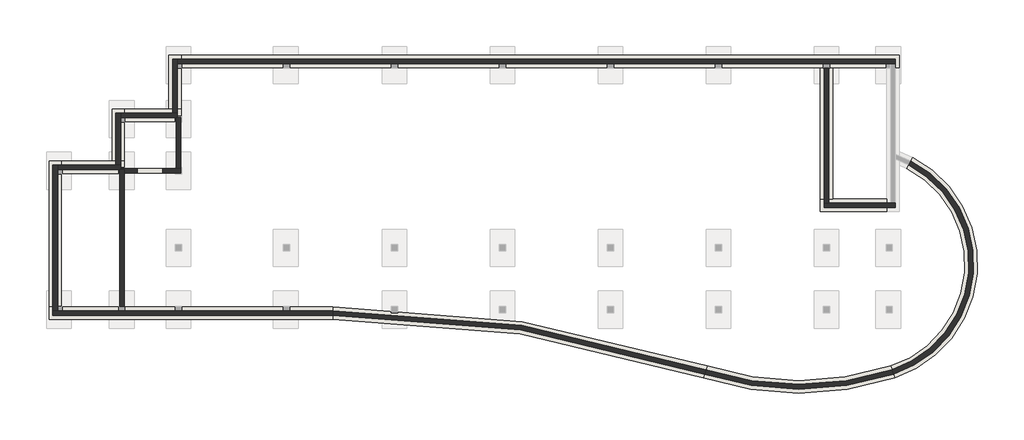
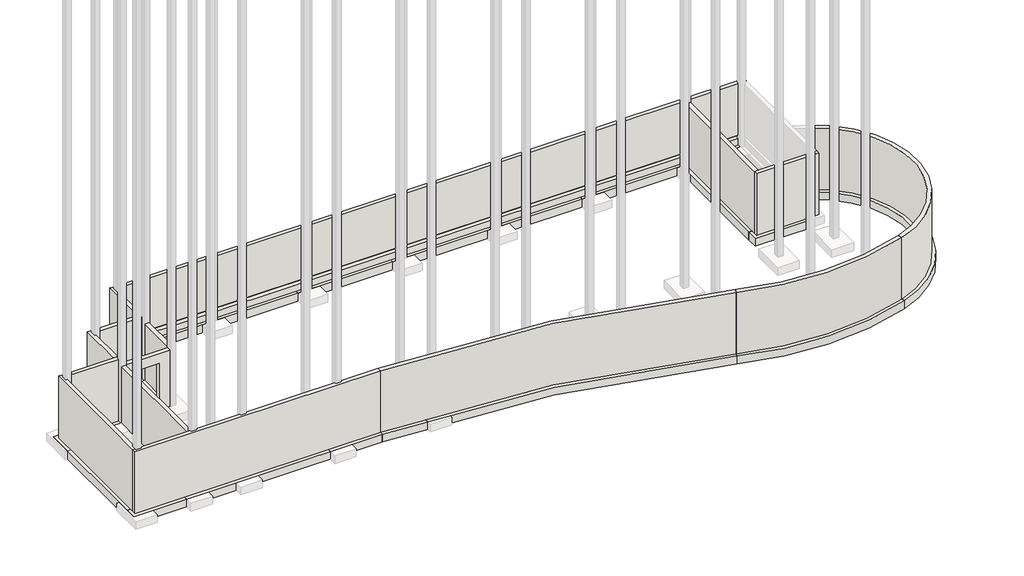
# One storey, part 1 of 2: 27 walls.
"""IFC4 building model written with IfcOpenShell, lengths in millimetres."""

from ifc_helpers import new_model, si_unit, point, frame, frame_2d, origin, place, context, project, spatial, polyline, circle_curve, trimmed, segment, composite_curve, outline, extrude, faceted_brep, element, save
from ifc_brep_helpers import plane_surface, cylinder_surface, revolved_surface, advanced_brep

model = new_model("IFC4")

# Units and contexts
model_context = context("Model", 3, world=origin())
ifc_project = project(units=[si_unit("LENGTHUNIT", "METRE", prefix="MILLI")], contexts=[model_context])

# Site, building, storey
site = spatial("IfcSite", under=ifc_project)
building = spatial("IfcBuilding", under=site)
storey = spatial("IfcBuildingStorey", under=building, Elevation=-3600.0)

# Walls
placement = place(None, origin())
element("IfcWall", 1, ObjectType="Foundation - 600mm Concrete", at=placement, inside=storey, context=model_context, shape_type="SweptSolid", body=[
    extrude(outline(composite_curve([segment(polyline([(17869.7687161, -6013.1846096), (17683.7577718, -5442.7458938)]), True, "CONTINUOUS"), segment(trimmed(circle_curve(frame_2d((16074.0395802, -487.5293406)), 5210.1212794), [point((17683.7577718, -5442.7458938))], [point((18465.7812889, 4141.1783997))], True, "CARTESIAN"), True, "CONTINUOUS"), segment(polyline([(18465.7812889, 4141.1783997), (18741.2153811, 4674.222545)]), True, "CONTINUOUS"), segment(trimmed(circle_curve(frame_2d((16074.0395802, -487.5293406)), 5810.1212794), [point((18741.2153811, 4674.222545))], [point((17869.7687161, -6013.1846096))], False, "CARTESIAN"), True, "CONTINUOUS")], self_intersect=False)), frame((0.0, 0.0, -4050.0), z_axis=(0.0, 0.0, 1.0), x_axis=(1.0, 0.0, 0.0)), (0.0, 0.0, 1.0), 450.0),
])
element("IfcWall", 2, ObjectType="Foundation - 600mm Concrete", at=placement, inside=storey, context=model_context, shape_type="SweptSolid", body=[
    extrude(outline(composite_curve([segment(polyline([(8601.367366, -6013.0871543), (8787.9790274, -5442.8450235)]), True, "CONTINUOUS"), segment(trimmed(circle_curve(frame_2d((13235.7169466, 8148.4146527)), 14300.5144027), [point((8787.9790274, -5442.8450235))], [point((17683.7577718, -5442.7458938))], True, "CARTESIAN"), True, "CONTINUOUS"), segment(polyline([(17683.7577718, -5442.7458938), (17869.7687161, -6013.1846096)]), True, "CONTINUOUS"), segment(trimmed(circle_curve(frame_2d((13235.7169466, 8148.4146527)), 14900.5144027), [point((17869.7687161, -6013.1846096))], [point((8601.367366, -6013.0871543))], False, "CARTESIAN"), True, "CONTINUOUS")], self_intersect=False)), frame((0.0, 0.0, -4050.0), z_axis=(0.0, 0.0, 1.0), x_axis=(1.0, 0.0, 0.0)), (0.0, 0.0, 1.0), 450.0),
])
element("IfcWall", 3, ObjectType="Foundation - 600mm Concrete", at=placement, inside=storey, context=model_context, shape_type="SweptSolid", body=[
    extrude(outline(composite_curve([segment(polyline([(-9356.7482974, -3179.7925922), (-9357.3682514, -2579.7925922)]), True, "CONTINUOUS"), segment(trimmed(circle_curve(frame_2d((-9237.4655397, -60751.8621473)), 58172.193125), [point((-9357.3682514, -2579.7925922))], [point((8787.630476, -5442.7311958))], False, "CARTESIAN"), True, "CONTINUOUS"), segment(polyline([(8787.630476, -5442.7311958), (8601.7159173, -6013.200982)]), True, "CONTINUOUS"), segment(trimmed(circle_curve(frame_2d((-9237.4655397, -60751.8621473)), 57572.193125), [point((8601.7159173, -6013.200982))], [point((-9356.7482974, -3179.7925922))], True, "CARTESIAN"), True, "CONTINUOUS")], self_intersect=False)), frame((0.0, 0.0, -4050.0), z_axis=(0.0, 0.0, 1.0), x_axis=(1.0, 0.0, 0.0)), (0.0, 0.0, 1.0), 450.0),
])
element("IfcWall", 4, ObjectType="Foundation - 600mm Concrete", at=placement, inside=storey, context=model_context, shape_type="Brep", body=[
    faceted_brep([(-9357.3682514, -2579.7925922, -4050.0), (-22494.6169643, -2579.7925922, -4050.0), (-23094.6169643, -2579.7925922, -4050.0), (-23094.6169643, -2579.7925922, -3600.0), (-22494.6169643, -2579.7925922, -3600.0), (-9357.3682514, -2579.7925922, -3600.0), (-9356.7482974, -3179.7925922, -4050.0), (-9356.7482974, -3179.7925922, -3600.0), (-23094.6169643, -3179.7925922, -3600.0), (-23094.6169643, -3179.7925922, -4050.0)], [[[0, 1, 2, 3, 4, 5]], [[6, 7, 8, 9]], [[2, 1, 0, 6, 9]], [[5, 4, 3, 8, 7]], [[3, 2, 9, 8]], [[0, 5, 7, 6]]]),
])
element("IfcWall", 5, ObjectType="Foundation - 600mm Concrete", at=placement, inside=storey, context=model_context, shape_type="Brep", body=[
    faceted_brep([(-22494.6169643, -2579.7925922, -4050.0), (-22494.6169643, 3903.6324078, -4050.0), (-22494.6169643, 4503.6324078, -4050.0), (-22494.6169643, 4503.6324078, -3600.0), (-22494.6169643, 3903.6324078, -3600.0), (-22494.6169643, -2579.7925922, -3600.0), (-23094.6169643, -2579.7925922, -4050.0), (-23094.6169643, -2579.7925922, -3600.0), (-23094.6169643, 4503.6324078, -3600.0), (-23094.6169643, 4503.6324078, -4050.0)], [[[0, 1, 2, 3, 4, 5]], [[6, 7, 8, 9]], [[2, 1, 0, 6, 9]], [[5, 4, 3, 8, 7]], [[3, 2, 9, 8]], [[0, 5, 7, 6]]]),
])
element("IfcWall", 6, ObjectType="Foundation - 600mm Concrete", at=placement, inside=storey, context=model_context, shape_type="Brep", body=[
    faceted_brep([(-22494.6169643, 3903.6324078, -4050.0), (-19446.6169643, 3903.6324078, -4050.0), (-19446.6169643, 3903.6324078, -3600.0), (-22494.6169643, 3903.6324078, -3600.0), (-22494.6169643, 4503.6324078, -4050.0), (-22494.6169643, 4503.6324078, -3600.0), (-20046.6169643, 4503.6324078, -3600.0), (-19446.6169643, 4503.6324078, -3600.0), (-19446.6169643, 4503.6324078, -4050.0), (-20046.6169643, 4503.6324078, -4050.0)], [[[0, 1, 2, 3]], [[4, 5, 6, 7, 8, 9]], [[1, 0, 4, 9, 8]], [[3, 2, 7, 6, 5]], [[2, 1, 8, 7]], [[0, 3, 5, 4]]]),
])
element("IfcWall", 7, ObjectType="Foundation - 600mm Concrete", at=placement, inside=storey, context=model_context, shape_type="Brep", body=[
    faceted_brep([(-19446.6169643, 4503.6324078, -4050.0), (-19446.6169643, 6418.2324078, -4050.0), (-19446.6169643, 7018.2324078, -4050.0), (-19446.6169643, 7018.2324078, -3600.0), (-19446.6169643, 6418.2324078, -3600.0), (-19446.6169643, 4503.6324078, -3600.0), (-20046.6169643, 4503.6324078, -4050.0), (-20046.6169643, 4503.6324078, -3600.0), (-20046.6169643, 7018.2324078, -3600.0), (-20046.6169643, 7018.2324078, -4050.0)], [[[0, 1, 2, 3, 4, 5]], [[6, 7, 8, 9]], [[2, 1, 0, 6, 9]], [[5, 4, 3, 8, 7]], [[3, 2, 9, 8]], [[0, 5, 7, 6]]]),
])
element("IfcWall", 8, ObjectType="Foundation - 600mm Concrete", at=placement, inside=storey, context=model_context, shape_type="Brep", body=[
    faceted_brep([(-19446.6169643, 6418.2324078, -4050.0), (-16703.4169643, 6418.2324078, -4050.0), (-16703.4169643, 6418.2324078, -3600.0), (-19446.6169643, 6418.2324078, -3600.0), (-19446.6169643, 7018.2324078, -4050.0), (-19446.6169643, 7018.2324078, -3600.0), (-17303.4169643, 7018.2324078, -3600.0), (-16703.4169643, 7018.2324078, -3600.0), (-16703.4169643, 7018.2324078, -4050.0), (-17303.4169643, 7018.2324078, -4050.0)], [[[0, 1, 2, 3]], [[4, 5, 6, 7, 8, 9]], [[1, 0, 4, 9, 8]], [[3, 2, 7, 6, 5]], [[2, 1, 8, 7]], [[0, 3, 5, 4]]]),
])
element("IfcWall", 9, ObjectType="Foundation - 600mm Concrete", at=placement, inside=storey, context=model_context, shape_type="Brep", body=[
    faceted_brep([(-16703.4169643, 7018.2324078, -4050.0), (-16703.4169643, 9034.4324078, -4050.0), (-16703.4169643, 9634.4324078, -4050.0), (-16703.4169643, 9634.4324078, -3600.0), (-16703.4169643, 9034.4324078, -3600.0), (-16703.4169643, 7018.2324078, -3600.0), (-17303.4169643, 7018.2324078, -4050.0), (-17303.4169643, 7018.2324078, -3600.0), (-17303.4169643, 9634.4324078, -3600.0), (-17303.4169643, 9634.4324078, -4050.0)], [[[0, 1, 2, 3, 4, 5]], [[6, 7, 8, 9]], [[2, 1, 0, 6, 9]], [[5, 4, 3, 8, 7]], [[3, 2, 9, 8]], [[0, 5, 7, 6]]]),
])
element("IfcWall", 10, ObjectType="Foundation - 600mm Concrete", at=placement, inside=storey, context=model_context, shape_type="Brep", body=[
    faceted_brep([(-16703.4169643, 9034.4324078, -4050.0), (17489.4606966, 9034.4324078, -4050.0), (18089.4606966, 9034.4324078, -4050.0), (18089.4606966, 9034.4324078, -3600.0), (17489.4606966, 9034.4324078, -3600.0), (-16703.4169643, 9034.4324078, -3600.0), (-16703.4169643, 9634.4324078, -4050.0), (-16703.4169643, 9634.4324078, -3600.0), (18089.4606966, 9634.4324078, -3600.0), (18089.4606966, 9634.4324078, -4050.0)], [[[0, 1, 2, 3, 4, 5]], [[6, 7, 8, 9]], [[2, 1, 0, 6, 9]], [[5, 4, 3, 8, 7]], [[3, 2, 9, 8]], [[0, 5, 7, 6]]]),
])
element("IfcWall", 11, ObjectType="Foundation - 600mm Concrete", at=placement, inside=storey, context=model_context, shape_type="Brep", body=[
    faceted_brep([(17489.4606966, 2662.1324078, -4050.0), (14867.1955357, 2662.1324078, -4050.0), (14267.1955357, 2662.1324078, -4050.0), (14267.1955357, 2662.1324078, -3600.0), (14867.1955357, 2662.1324078, -3600.0), (17489.4606966, 2662.1324078, -3600.0), (17489.4606966, 2062.1324078, -4050.0), (17489.4606966, 2062.1324078, -3600.0), (14267.1955357, 2062.1324078, -3600.0), (14267.1955357, 2062.1324078, -4050.0)], [[[0, 1, 2, 3, 4, 5]], [[6, 7, 8, 9]], [[2, 1, 0, 6, 9]], [[5, 4, 3, 8, 7]], [[3, 2, 9, 8]], [[0, 5, 7, 6]]]),
])
element("IfcWall", 12, ObjectType="Foundation - 600mm Concrete", at=placement, inside=storey, context=model_context, shape_type="SweptSolid", body=[
    extrude(outline(polyline([(14867.1955357, 9008.2199078), (14867.1955357, 2662.1324078), (14267.1955357, 2662.1324078), (14267.1955357, 9008.2199078), (14867.1955357, 9008.2199078)])), frame((0.0, 0.0, -4050.0), z_axis=(0.0, 0.0, 1.0), x_axis=(1.0, 0.0, 0.0)), (0.0, 0.0, 1.0), 450.0),
])
element("IfcWall", 13, ObjectType="Generic - 225mm Masonry", at=placement, inside=storey, context=model_context, shape_type="Brep", body=[
    faceted_brep([(-19457.9044643, -2553.5800922, -3600.0), (-19457.9044643, 3914.9199078, -3600.0), (-19457.9044643, 4091.1324078, -3600.0), (-19457.9044643, 4091.1324078, -300.0), (-19457.9044643, 3914.9199078, -300.0), (-19457.9044643, -2553.5800922, -300.0), (-19457.9044643, -2553.5800922, -2994.0), (-19457.9044643, 156.7351251, -2994.0), (-19457.9044643, 156.7351251, -3000.0), (-19457.9044643, -2553.5800922, -3000.0), (-19682.9044643, 4091.1324078, -3600.0), (-19682.9044643, -2553.5800922, -3600.0), (-19682.9044643, -2553.5800922, -3000.0), (-19682.9044643, 156.7351251, -3000.0), (-19682.9044643, 156.7351251, -2994.0), (-19682.9044643, -2553.5800922, -2994.0), (-19682.9044643, -2553.5800922, -300.0), (-19682.9044643, 4091.1324078, -300.0), (-19634.1169643, 4091.1324078, -3600.0), (-19634.1169643, 4091.1324078, -300.0)], [[[0, 1, 2, 3, 4, 5, 6, 7, 8, 9]], [[10, 11, 12, 13, 14, 15, 16, 17]], [[2, 1, 0, 11, 10, 18]], [[5, 4, 3, 19, 17, 16]], [[5, 16, 15, 6]], [[11, 0, 9, 12]], [[3, 2, 18, 10, 17, 19]], [[8, 13, 12, 9]], [[14, 7, 6, 15]], [[13, 8, 7, 14]]]),
])
element("IfcWall", 14, ObjectType="Generic - 225mm Masonry", at=placement, inside=storey, context=model_context, shape_type="Brep", body=[
    faceted_brep([(-19457.9044643, 3914.9199078, -3600.0), (-16714.7044643, 3914.9199078, -3600.0), (-16714.7044643, 3914.9199078, -300.0), (-19457.9044643, 3914.9199078, -300.0), (-17582.4544643, 3914.9199078, -3000.0), (-18815.1544643, 3914.9199078, -3000.0), (-18815.1544643, 3914.9199078, -874.6), (-17582.4544643, 3914.9199078, -874.6), (-19634.1169643, 4139.9199078, -3600.0), (-19634.1169643, 4139.9199078, -300.0), (-16939.7044643, 4139.9199078, -300.0), (-16714.7044643, 4139.9199078, -300.0), (-16714.7044643, 4139.9199078, -3600.0), (-16939.7044643, 4139.9199078, -3600.0), (-17582.4544643, 4139.9199078, -3000.0), (-17582.4544643, 4139.9199078, -874.6), (-18815.1544643, 4139.9199078, -874.6), (-18815.1544643, 4139.9199078, -3000.0), (-19457.9044643, 4091.1324078, -3600.0), (-19634.1169643, 4091.1324078, -3600.0), (-19634.1169643, 4091.1324078, -300.0), (-19457.9044643, 4091.1324078, -300.0)], [[[0, 1, 2, 3], [4, 5, 6, 7]], [[8, 9, 10, 11, 12, 13], [14, 15, 16, 17]], [[1, 0, 18, 19, 8, 13, 12]], [[3, 2, 11, 10, 9, 20, 21]], [[2, 1, 12, 11]], [[0, 3, 21, 18]], [[21, 20, 19, 18]], [[20, 9, 8, 19]], [[15, 14, 4, 7]], [[16, 15, 7, 6]], [[17, 16, 6, 5]], [[14, 17, 5, 4]]]),
])
element("IfcWall", 15, ObjectType="Generic - 225mm Masonry", at=placement, inside=storey, context=model_context, shape_type="Brep", body=[
    faceted_brep([(-16714.7044643, 4139.9199078, -3600.0), (-16714.7044643, 6605.7324078, -3600.0), (-16714.7044643, 6605.7324078, -300.0), (-16714.7044643, 4139.9199078, -300.0), (-16939.7044643, 4139.9199078, -3600.0), (-16939.7044643, 4139.9199078, -300.0), (-16939.7044643, 6605.7324078, -300.0), (-16939.7044643, 6605.7324078, -3600.0), (-16890.9169643, 6605.7324078, -3600.0)], [[[0, 1, 2, 3]], [[4, 5, 6, 7]], [[1, 0, 4, 7, 8]], [[3, 2, 6, 5]], [[0, 3, 5, 4]], [[2, 1, 8, 7, 6]]]),
])
element("IfcWall", 16, ObjectType="Generic - 225mm Masonry", at=placement, inside=storey, context=model_context, shape_type="Brep", body=[
    faceted_brep([(14454.6955357, 2249.6324078, -3600.0), (17901.9606966, 2249.6324078, -3600.0), (17901.9606966, 2249.6324078, 0.0), (14454.6955357, 2249.6324078, 0.0), (14454.6955357, 2474.6324078, -3600.0), (14454.6955357, 2474.6324078, 0.0), (14679.6955357, 2474.6324078, 0.0), (17676.9606966, 2474.6324078, 0.0), (17901.9606966, 2474.6324078, 0.0), (17901.9606966, 2474.6324078, -2994.0), (17901.9606966, 2474.6324078, -3225.0), (17901.9606966, 2474.6324078, -3600.0), (17676.9606966, 2474.6324078, -3600.0), (14679.6955357, 2474.6324078, -3600.0)], [[[0, 1, 2, 3]], [[4, 5, 6, 7, 8, 9, 10, 11, 12, 13]], [[1, 0, 4, 13, 12, 11]], [[3, 2, 8, 7, 6, 5]], [[0, 3, 5, 4]], [[2, 1, 11, 10, 9, 8]]]),
])
element("IfcWall", 17, ObjectType="Generic - 225mm Masonry", at=placement, inside=storey, context=model_context, shape_type="Brep", body=[
    faceted_brep([(14454.6955357, 9008.2199078, -3600.0), (14454.6955357, 2474.6324078, -3600.0), (14454.6955357, 2474.6324078, 0.0), (14454.6955357, 9008.2199078, 0.0), (14679.6955357, 2474.6324078, -3600.0), (14679.6955357, 9008.2199078, -3600.0), (14679.6955357, 9008.2199078, -3000.0), (14679.6955357, 9008.2199078, -2994.0), (14679.6955357, 9008.2199078, 0.0), (14679.6955357, 2474.6324078, 0.0), (14679.6955357, 2474.6324078, -2994.0), (14679.6955357, 2474.6324078, -3000.0)], [[[0, 1, 2, 3]], [[4, 5, 6, 7, 8, 9, 10, 11]], [[1, 0, 5, 4]], [[3, 2, 9, 8]], [[0, 3, 8, 7, 6, 5]], [[2, 1, 4, 11, 10, 9]]]),
])
element("IfcWall", 18, ObjectType="Generic - 225mm Masonry", at=placement, inside=storey, context=model_context, shape_type="Brep", body=[
    faceted_brep([(-9357.1748607, -2767.2925922, -3600.0), (-22682.1169643, -2767.2925922, -3600.0), (-22907.1169643, -2767.2925922, -3600.0), (-22907.1169643, -2767.2925922, 0.0), (-22682.1169643, -2767.2925922, 0.0), (-9357.1748607, -2767.2925922, 0.0), (-9357.1748607, -2767.2925922, -2994.0), (-9357.1748607, -2767.2925922, -3000.0), (-9357.1748607, -2767.2925922, -3225.0), (-22907.1169643, -2992.2925922, -3600.0), (-9356.9423786, -2992.2925922, -3600.0), (-9356.9423786, -2992.2925922, 0.0), (-22907.1169643, -2992.2925922, 0.0)], [[[0, 1, 2, 3, 4, 5, 6, 7, 8]], [[9, 10, 11, 12]], [[2, 1, 0, 10, 9]], [[5, 4, 3, 12, 11]], [[3, 2, 9, 12]], [[5, 11, 10, 0, 8, 7, 6]]]),
])
element("IfcWall", 19, ObjectType="Generic - 225mm Masonry", at=placement, inside=storey, context=model_context, shape_type="Brep", body=[
    faceted_brep([(-22682.1169643, -2767.2925922, -3600.0), (-22682.1169643, 4091.1324078, -3600.0), (-22682.1169643, 4316.1324078, -3600.0), (-22682.1169643, 4316.1324078, 0.0), (-22682.1169643, 4091.1324078, 0.0), (-22682.1169643, -2767.2925922, 0.0), (-22682.1169643, -2767.2925922, -2994.0), (-22682.1169643, -2767.2925922, -3000.0), (-22682.1169643, -2767.2925922, -3225.0), (-22907.1169643, -2767.2925922, -3600.0), (-22907.1169643, -2767.2925922, 0.0), (-22907.1169643, 4316.1324078, 0.0), (-22907.1169643, 4316.1324078, -3600.0)], [[[0, 1, 2, 3, 4, 5, 6, 7, 8]], [[9, 10, 11, 12]], [[2, 1, 0, 9, 12]], [[5, 4, 3, 11, 10]], [[3, 2, 12, 11]], [[0, 8, 7, 6, 5, 10, 9]]]),
])
element("IfcWall", 20, ObjectType="Generic - 225mm Masonry", at=placement, inside=storey, context=model_context, shape_type="Brep", body=[
    faceted_brep([(-22682.1169643, 4091.1324078, -3600.0), (-19682.9044643, 4091.1324078, -3600.0), (-19634.1169643, 4091.1324078, -3600.0), (-19634.1169643, 4091.1324078, -3225.0), (-19634.1169643, 4091.1324078, -3000.0), (-19634.1169643, 4091.1324078, -300.0), (-19634.1169643, 4091.1324078, 0.0), (-22682.1169643, 4091.1324078, 0.0), (-22682.1169643, 4091.1324078, -3000.0), (-22682.1169643, 4091.1324078, -3225.0), (-19634.1169643, 4316.1324078, -3600.0), (-19859.1169643, 4316.1324078, -3600.0), (-22682.1169643, 4316.1324078, -3600.0), (-22682.1169643, 4316.1324078, 0.0), (-19859.1169643, 4316.1324078, 0.0), (-19634.1169643, 4316.1324078, 0.0), (-19634.1169643, 4316.1324078, -3000.0), (-19634.1169643, 4316.1324078, -3225.0), (-19634.1169643, 4139.9199078, -3600.0)], [[[0, 1, 2, 3, 4, 5, 6, 7, 8, 9]], [[10, 11, 12, 13, 14, 15, 16, 17]], [[2, 1, 0, 12, 11, 10, 18]], [[7, 6, 15, 14, 13]], [[7, 13, 12, 0, 9, 8]], [[2, 18, 10, 17, 16, 15, 6, 5, 4, 3]]]),
])
element("IfcWall", 21, ObjectType="Generic - 225mm Masonry", at=placement, inside=storey, context=model_context, shape_type="Brep", body=[
    faceted_brep([(-19634.1169643, 4316.1324078, -3600.0), (-19634.1169643, 6605.7324078, -3600.0), (-19634.1169643, 6830.7324078, -3600.0), (-19634.1169643, 6830.7324078, 0.0), (-19634.1169643, 6605.7324078, 0.0), (-19634.1169643, 4316.1324078, 0.0), (-19634.1169643, 4316.1324078, -3000.0), (-19634.1169643, 4316.1324078, -3225.0), (-19859.1169643, 6830.7324078, -3600.0), (-19859.1169643, 4316.1324078, -3600.0), (-19859.1169643, 4316.1324078, 0.0), (-19859.1169643, 6830.7324078, 0.0)], [[[0, 1, 2, 3, 4, 5, 6, 7]], [[8, 9, 10, 11]], [[2, 1, 0, 9, 8]], [[5, 4, 3, 11, 10]], [[3, 2, 8, 11]], [[5, 10, 9, 0, 7, 6]]]),
])
element("IfcWall", 22, ObjectType="Generic - 225mm Masonry", at=placement, inside=storey, context=model_context, shape_type="Brep", body=[
    faceted_brep([(-19634.1169643, 6605.7324078, -3600.0), (-16939.7044643, 6605.7324078, -3600.0), (-16890.9169643, 6605.7324078, -3600.0), (-16890.9169643, 6605.7324078, -3225.0), (-16890.9169643, 6605.7324078, -3000.0), (-16890.9169643, 6605.7324078, 0.0), (-19634.1169643, 6605.7324078, 0.0), (-19634.1169643, 6605.7324078, -3000.0), (-19634.1169643, 6605.7324078, -3225.0), (-16890.9169643, 6830.7324078, -3600.0), (-17115.9169643, 6830.7324078, -3600.0), (-19634.1169643, 6830.7324078, -3600.0), (-19634.1169643, 6830.7324078, 0.0), (-17115.9169643, 6830.7324078, 0.0), (-16890.9169643, 6830.7324078, 0.0), (-16890.9169643, 6830.7324078, -3000.0), (-16890.9169643, 6830.7324078, -3225.0)], [[[0, 1, 2, 3, 4, 5, 6, 7, 8]], [[9, 10, 11, 12, 13, 14, 15, 16]], [[2, 1, 0, 11, 10, 9]], [[6, 5, 14, 13, 12]], [[6, 12, 11, 0, 8, 7]], [[2, 9, 16, 15, 14, 5, 4, 3]]]),
])
element("IfcWall", 23, ObjectType="Generic - 225mm Masonry", at=placement, inside=storey, context=model_context, shape_type="Brep", body=[
    faceted_brep([(-16890.9169643, 6830.7324078, -3600.0), (-16890.9169643, 9221.9324078, -3600.0), (-16890.9169643, 9446.9324078, -3600.0), (-16890.9169643, 9446.9324078, -3225.0), (-16890.9169643, 9446.9324078, -3000.0), (-16890.9169643, 9446.9324078, 0.0), (-16890.9169643, 9221.9324078, 0.0), (-16890.9169643, 6830.7324078, 0.0), (-16890.9169643, 6830.7324078, -3000.0), (-16890.9169643, 6830.7324078, -3225.0), (-17115.9169643, 9446.9324078, -3600.0), (-17115.9169643, 6830.7324078, -3600.0), (-17115.9169643, 6830.7324078, 0.0), (-17115.9169643, 9446.9324078, 0.0)], [[[0, 1, 2, 3, 4, 5, 6, 7, 8, 9]], [[10, 11, 12, 13]], [[2, 1, 0, 11, 10]], [[7, 6, 5, 13, 12]], [[2, 10, 13, 5, 4, 3]], [[7, 12, 11, 0, 9, 8]]]),
])
element("IfcWall", 24, ObjectType="Generic - 225mm Masonry", at=placement, inside=storey, context=model_context, shape_type="Brep", body=[
    faceted_brep([(-16890.9169643, 9221.9324078, -3600.0), (17676.9606966, 9221.9324078, -3600.0), (17901.9606966, 9221.9324078, -3600.0), (17901.9606966, 9221.9324078, -3225.0), (17676.9606966, 9221.9324078, -3225.0), (-16890.9169643, 9221.9324078, -3225.0), (17901.9606966, 9446.9324078, -3600.0), (-16890.9169643, 9446.9324078, -3600.0), (-16890.9169643, 9446.9324078, -3225.0), (17901.9606966, 9446.9324078, -3225.0)], [[[0, 1, 2, 3, 4, 5]], [[6, 7, 8, 9]], [[2, 1, 0, 7, 6]], [[2, 6, 9, 3]], [[7, 0, 5, 8]], [[5, 4, 3, 9, 8]]]),
    faceted_brep([(17901.9606966, 9221.9324078, 0.0), (17676.9606966, 9221.9324078, 0.0), (-16890.9169643, 9221.9324078, 0.0), (-16890.9169643, 9221.9324078, -3000.0), (14679.6955357, 9221.9324078, -3000.0), (17676.9606966, 9221.9324078, -3000.0), (17901.9606966, 9221.9324078, -3000.0), (-16890.9169643, 9446.9324078, 0.0), (17901.9606966, 9446.9324078, 0.0), (17901.9606966, 9446.9324078, -3000.0), (-16890.9169643, 9446.9324078, -3000.0)], [[[0, 1, 2, 3, 4, 5, 6]], [[7, 8, 9, 10]], [[2, 1, 0, 8, 7]], [[8, 0, 6, 9]], [[2, 7, 10, 3]], [[6, 5, 4, 3, 10, 9]]]),
])
element("IfcWall", 25, ObjectType="Generic - 225mm Masonry", at=placement, inside=storey, context=model_context, shape_type="AdvancedBrep", body=[
    advanced_brep(
    [(-9356.9423786, -2992.2925922, 0.0), (8659.8142169, -5834.9291738, 0.0), (8729.5321764, -5621.003004, 0.0), (-9357.1748607, -2767.2925922, 0.0), (8659.8142169, -5834.9291738, -3600.0), (-9356.9423786, -2992.2925922, -3600.0), (-9357.1748607, -2767.2925922, -3600.0), (8729.5321764, -5621.003004, -3600.0), (8729.5321764, -5621.003004, -3225.0), (8729.5321764, -5621.003004, -3000.0), (-9357.1748607, -2767.2925922, -3225.0), (-9357.1748607, -2767.2925922, -3000.0)],
    [
        (0, 1, circle_curve(frame((-9237.4655397, -60751.8621473, 0.0), z_axis=(0.0, 0.0, -1.0), x_axis=(0.30985759771634463, 0.9507829768866584, 0.0)), 57759.693125)),
        (1, 2),
        (2, 3, circle_curve(frame((-9237.4655397, -60751.8621473, 0.0), z_axis=(0.0, 0.0, 1.0), x_axis=(0.30985759771634463, 0.9507829768866584, 0.0)), 57984.693125)),
        (3, 0),
        (4, 5, circle_curve(frame((-9237.4655397, -60751.8621473, -3600.0), z_axis=(0.0, 0.0, 1.0), x_axis=(0.30985759771634463, 0.9507829768866584, 0.0)), 57759.693125)),
        (5, 6),
        (6, 7, circle_curve(frame((-9237.4655397, -60751.8621473, -3600.0), z_axis=(0.0, 0.0, -1.0), x_axis=(0.30985759771634463, 0.9507829768866584, 0.0)), 57984.693125)),
        (7, 4),
        (0, 5),
        (4, 1),
        (7, 8),
        (8, 9),
        (9, 2),
        (6, 10),
        (10, 11),
        (11, 3),
    ],
    [
        plane_surface(frame((8659.8142169, -5834.9291738, 0.0), z_axis=(0.0, 0.0, 1.0), x_axis=(0.9507829768866584, -0.30985759771634463, 0.0))),
        plane_surface(frame((8659.8142169, -5834.9291738, -3600.0), z_axis=(0.0, 0.0, -1.0), x_axis=(-0.9507829768866584, 0.30985759771634463, 0.0))),
        revolved_surface(polyline([(8659.814216845765, -5834.929173852652, -3600.0), (8659.814216845765, -5834.929173852652, 0.0)]), (-9237.4655397, -60751.8621473, -3600.0), (0.0, 0.0, -1.0)),
        plane_surface(frame((8659.8142169, -5834.9291738, 0.0), z_axis=(0.9507829768861671, -0.3098575977178523, 0.0), x_axis=(0.0, 0.0, -1.0))),
        cylinder_surface(frame((-9237.4655397, -60751.8621473, -3600.0), z_axis=(0.0, 0.0, 1.0), x_axis=(0.30985759771634463, 0.9507829768866584, 0.0)), 57984.693125),
        plane_surface(frame((-9357.1748607, -2767.2925922, -3600.0), z_axis=(-0.9999994661937756, -0.0010332531944501548, 0.0), x_axis=(0.0010332531944501548, -0.9999994661937756, 0.0))),
    ],
    [
        (0, [[1, 2, 3, 4]]),
        (1, [[5, 6, 7, 8]]),
        (2, [[-1, 9, -5, 10]]),
        (3, [[-2, -10, -8, 11, 12, 13]]),
        (4, [[-3, -13, -12, -11, -7, 14, 15, 16]]),
        (5, [[-4, -16, -15, -14, -6, -9]]),
    ],
),
])
element("IfcWall", 26, ObjectType="Generic - 225mm Masonry", at=placement, inside=storey, context=model_context, shape_type="AdvancedBrep", body=[
    advanced_brep(
    [(8659.6835101, -5834.8864884, 0.0), (17811.6381372, -5834.9232204, 0.0), (17741.8839716, -5621.0087222, 0.0), (8729.6628832, -5621.0456894, 0.0), (17811.6381372, -5834.9232204, -3600.0), (8659.6835101, -5834.8864884, -3600.0), (8729.6628832, -5621.0456894, -3600.0), (17741.8839716, -5621.0087222, -3600.0), (17741.8839716, -5621.0087222, -2994.0), (17741.8839716, -5621.0087222, -3000.0), (17741.8839716, -5621.0087222, -3225.0), (8729.6628832, -5621.0456894, -3225.0), (8729.6628832, -5621.0456894, -3000.0), (8729.6628832, -5621.0456894, -2994.0)],
    [
        (0, 1, circle_curve(frame((13235.7169466, 8148.4146527, 0.0), z_axis=(0.0, 0.0, 1.0), x_axis=(0.3110194356677193, -0.9504035514648151, 0.0)), 14713.0144027)),
        (1, 2),
        (2, 3, circle_curve(frame((13235.7169466, 8148.4146527, 0.0), z_axis=(0.0, 0.0, -1.0), x_axis=(0.3110194356677193, -0.9504035514648151, 0.0)), 14488.0144027)),
        (3, 0),
        (4, 5, circle_curve(frame((13235.7169466, 8148.4146527, -3600.0), z_axis=(0.0, 0.0, -1.0), x_axis=(0.3110194356677193, -0.9504035514648151, 0.0)), 14713.0144027)),
        (5, 6),
        (6, 7, circle_curve(frame((13235.7169466, 8148.4146527, -3600.0), z_axis=(0.0, 0.0, 1.0), x_axis=(0.3110194356677193, -0.9504035514648151, 0.0)), 14488.0144027)),
        (7, 4),
        (0, 5),
        (4, 1),
        (2, 8),
        (8, 9),
        (9, 10),
        (10, 7),
        (6, 11),
        (11, 12),
        (12, 13),
        (13, 3),
    ],
    [
        plane_surface(frame((17811.7503832, -5834.8864884, 0.0), z_axis=(0.0, 0.0, 1.0), x_axis=(0.9504035514648151, 0.3110194356677193, 0.0))),
        plane_surface(frame((17811.7503832, -5834.8864884, -3600.0), z_axis=(0.0, 0.0, -1.0), x_axis=(-0.9504035514648151, -0.3110194356677193, 0.0))),
        cylinder_surface(frame((13235.7169466, 8148.4146527, -3600.0), z_axis=(0.0, 0.0, 1.0), x_axis=(0.3110194356677193, -0.9504035514648151, 0.0)), 14713.0144027),
        revolved_surface(polyline([(17741.771010073542, -5621.0456892994725, -3600.0), (17741.771010073542, -5621.0456892994725, 0.0)]), (13235.7169466, 8148.4146527, -3600.0), (0.0, 0.0, -1.0)),
        plane_surface(frame((8729.6628832, -5621.0456894, 0.0), z_axis=(-0.9504035514651366, 0.311019435666737, 0.0), x_axis=(0.0, 0.0, -1.0))),
        plane_surface(frame((17811.6381372, -5834.9232204, -3600.0), z_axis=(0.9507305756662523, 0.31001834218851715, 0.0), x_axis=(-0.31001834218851715, 0.9507305756662523, 0.0))),
    ],
    [
        (0, [[1, 2, 3, 4]]),
        (1, [[5, 6, 7, 8]]),
        (2, [[-1, 9, -5, 10]]),
        (3, [[-3, 11, 12, 13, 14, -7, 15, 16, 17, 18]]),
        (4, [[-4, -18, -17, -16, -15, -6, -9]]),
        (5, [[-2, -10, -8, -14, -13, -12, -11]]),
    ],
),
])
element("IfcWall", 27, ObjectType="Generic - 225mm Masonry", at=placement, inside=storey, context=model_context, shape_type="AdvancedBrep", body=[
    advanced_brep(
    [(17811.6381372, -5834.9232204, 0.0), (18655.1422273, 4507.6462496, 0.0), (18551.8544427, 4307.7546951, 0.0), (17741.8839716, -5621.0087222, 0.0), (18655.1422273, 4507.6462496, -3600.0), (17811.6381372, -5834.9232204, -3600.0), (17741.8839716, -5621.0087222, -3600.0), (18551.8544427, 4307.7546951, -3600.0), (18551.8544427, 4307.7546951, -3225.0), (18551.8544427, 4307.7546951, -3000.0), (18551.8544427, 4307.7546951, -2994.0), (17741.8839716, -5621.0087222, -3225.0), (17741.8839716, -5621.0087222, -3000.0), (17741.8839716, -5621.0087222, -2994.0)],
    [
        (0, 1, circle_curve(frame((16074.0395802, -487.5293406, 0.0), z_axis=(0.0, 0.0, 1.0), x_axis=(0.4590568204432062, 0.8884069088005643, 0.0)), 5622.6212794)),
        (1, 2),
        (2, 3, circle_curve(frame((16074.0395802, -487.5293406, 0.0), z_axis=(0.0, 0.0, -1.0), x_axis=(0.4590568204432062, 0.8884069088005643, 0.0)), 5397.6212794)),
        (3, 0),
        (4, 5, circle_curve(frame((16074.0395802, -487.5293406, -3600.0), z_axis=(0.0, 0.0, -1.0), x_axis=(0.4590568204432062, 0.8884069088005643, 0.0)), 5622.6212794)),
        (5, 6),
        (6, 7, circle_curve(frame((16074.0395802, -487.5293406, -3600.0), z_axis=(0.0, 0.0, 1.0), x_axis=(0.4590568204432062, 0.8884069088005643, 0.0)), 5397.6212794)),
        (7, 4),
        (0, 5),
        (4, 1),
        (7, 8),
        (8, 9),
        (9, 10),
        (10, 2),
        (6, 11),
        (11, 12),
        (12, 13),
        (13, 3),
    ],
    [
        plane_surface(frame((18655.1422273, 4507.6462496, 0.0), z_axis=(0.0, 0.0, 1.0000000000000002), x_axis=(-0.8884069088005643, 0.4590568204432062, 0.0))),
        plane_surface(frame((18655.1422273, 4507.6462496, -3600.0), z_axis=(0.0, 0.0, -1.0000000000000002), x_axis=(0.8884069088005643, -0.4590568204432062, 0.0))),
        cylinder_surface(frame((16074.0395802, -487.5293406, -3600.0), z_axis=(0.0, 0.0, 1.0000000000000002), x_axis=(0.4590568204432062, 0.8884069088005643, 0.0)), 5622.6212794),
        plane_surface(frame((18655.1422273, 4507.6462496, 0.0), z_axis=(-0.8884069088004962, 0.4590568204433379, 0.0), x_axis=(0.0, 0.0, -1.0))),
        revolved_surface(polyline([(18551.854442677955, 4307.754695107901, -3600.0), (18551.854442677955, 4307.754695107901, 1.8189894035458565e-12)]), (16074.0395802, -487.5293406, -3600.0), (0.0, 0.0, -1.0000000000000002)),
        plane_surface(frame((17741.8839716, -5621.0087222, -3600.0), z_axis=(-0.9507305756681693, -0.3100183421826383, 0.0), x_axis=(0.3100183421826383, -0.9507305756681693, 0.0))),
    ],
    [
        (0, [[1, 2, 3, 4]]),
        (1, [[5, 6, 7, 8]]),
        (2, [[-1, 9, -5, 10]]),
        (3, [[-2, -10, -8, 11, 12, 13, 14]]),
        (4, [[-3, -14, -13, -12, -11, -7, 15, 16, 17, 18]]),
        (5, [[-4, -18, -17, -16, -15, -6, -9]]),
    ],
),
])

save(model, "model.ifc")
